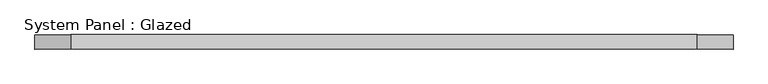
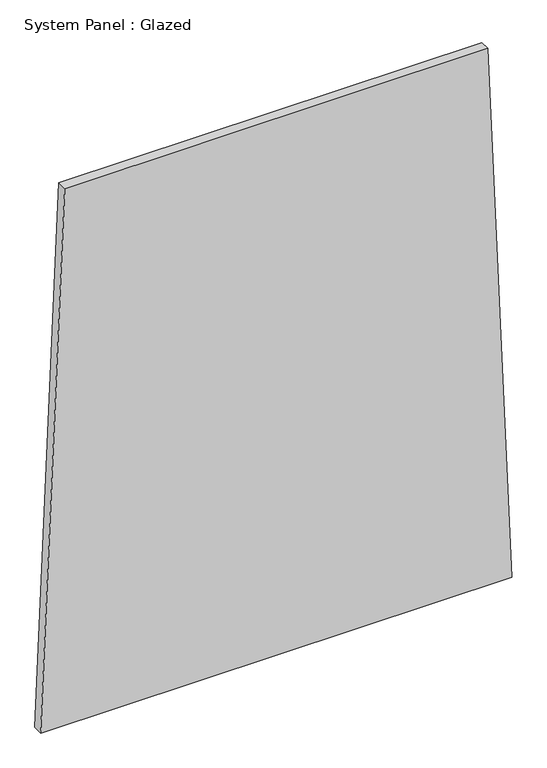
"""IFC4 building model written with IfcOpenShell, lengths in millimetres: plate geometry, System Panel : Glazed."""

from ifc_helpers import new_model, si_unit, frame, origin, place, context, project, spatial, polyline, outline, extrude, source, transform, mapped, element, save


def system_panel_glazed_813c6787(model_context):
    return source(origin(), model_context, "Body", "SweptSolid", [
        extrude(outline(polyline([(0.0, -601.5067324), (0.0, 601.5067324), (1448.6522908, 540.0635871), (1448.652386, -540.0569148), (0.0, -601.5067324)])), frame((0.0, -49.5, 0.0), z_axis=(0.0, 1.0, 0.0), x_axis=(0.0, 0.0, 1.0)), (0.0, 0.0, 1.0), 25.0),
    ])


if __name__ == "__main__":
    model = new_model("IFC4")
    model_context = context("Model", 3, world=origin())
    ifc_project = project(units=[si_unit("LENGTHUNIT", "METRE", prefix="MILLI")], contexts=[model_context])
    site = spatial("IfcSite", under=ifc_project)
    building = spatial("IfcBuilding", under=site)
    placement = place(None, origin())
    system_panel_glazed_shape = system_panel_glazed_813c6787(model_context)
    element("IfcPlate", 1, ObjectType="System Panel : Glazed", at=placement, inside=building, context=model_context, shape_type="MappedRepresentation", body=[
        mapped(system_panel_glazed_shape, transform((0.0, 0.0, 0.0), x_axis=(1.0, 0.0, 0.0), y_axis=(0.0, 1.0, 0.0), z_axis=(0.0, 0.0, 1.0))),
    ])
    save(model, "model.ifc")
